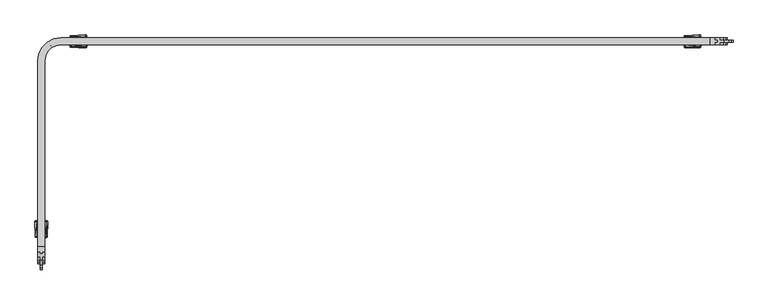
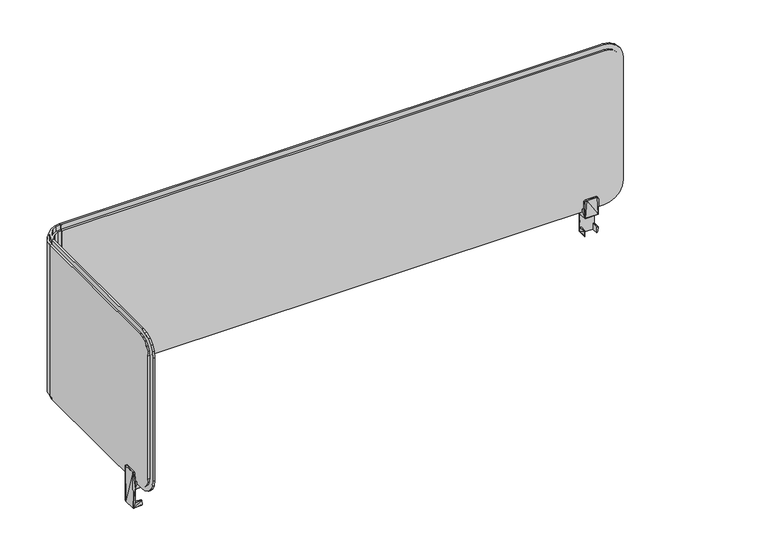
"""IFC4 building model written with IfcOpenShell, lengths in millimetres: furniture geometry."""

from ifc_helpers import new_model, si_unit, origin, place, context, project, spatial, triangles, source, transform, mapped, element, save


def furniture_12b4700b(model_context):
    return source(origin(), model_context, "Body", "Tessellation", [
        triangles([(3360.1908382, 2133.8171288, 1058.9999674), (3360.1908382, 2483.5671285, 1089.0000257), (3360.1908382, 2163.8171326, 1089.0000257), (3360.1908382, 2483.5671285, 760.9999884), (3360.1908382, 2133.8171288, 790.9999741), (3360.1908382, 2163.8171326, 760.9999884), (3360.1908382, 2135.2851351, 781.7290283), (3360.1908382, 2139.5461395, 773.3660213), (3360.1908382, 2146.1831254, 766.7289991), (3360.1908382, 2154.5461324, 762.4679947), (3360.1908382, 2135.2851351, 1068.2709858), (3360.1908382, 2139.5461395, 1076.6339928), (3360.1908382, 2146.1831254, 1083.271015), (3360.1908382, 2154.5461324, 1087.5320194), (3357.8038473, 2493.8481325, 760.9999884), (3360.1918374, 2484.0671343, 760.9999884), (3356.1918454, 2484.0671343, 760.9999884), (3361.6078484, 2492.6121342, 760.9999884), (3362.3318412, 2502.6671346, 760.9999884), (3365.5678356, 2500.3151342, 760.9999884), (3369.3408429, 2509.6761362, 760.9999884), (3371.6928433, 2506.4401328, 760.9999884), (3378.1598359, 2514.2041302, 760.9999884), (3379.3958433, 2510.4001291, 760.9999884), (3387.9408341, 2515.8161321, 760.9999884), (3387.9408341, 2511.816131, 760.9999884), (3361.6078484, 2492.6121342, 1089.0000257), (3360.1918374, 2484.0671343, 1089.0000257), (3365.5678356, 2500.3151342, 1089.0000257), (3371.6928433, 2506.4401328, 1089.0000257), (3379.3958433, 2510.4001291, 1089.0000257), (3387.9408341, 2511.816131, 1089.0000257), (3388.4408399, 2511.8171302, 1089.0000257), (3388.4408399, 2515.8171313, 760.9999884), (3388.4408399, 2511.8171302, 760.9999884), (3388.4408399, 2515.8171313, 1089.0000257), (3388.4408399, 2519.8171324, 760.9999884), (3388.4408399, 2519.8171324, 1089.0000257), (3388.4408399, 2522.817131, 760.9999884), (3388.4408399, 2522.817131, 1089.0000257), (3388.4408399, 2519.8171324, 751.0000174), (3388.4408399, 2515.8171313, 751.0000174), (3388.4408399, 2515.8171313, 1098.9999968), (3388.4408399, 2519.8171324, 1098.9999968), (4538.1908457, 2511.8171302, 1058.9999674), (4538.1908457, 2511.8171302, 790.9999741), (4508.19086, 2511.8171302, 760.9999884), (4536.7228394, 2511.8171302, 781.7290283), (4532.461835, 2511.8171302, 773.3660213), (4508.19086, 2511.8171302, 1089.0000257), (4536.7228394, 2511.8171302, 1068.2709858), (4532.461835, 2511.8171302, 1076.6339928), (4525.8248128, 2511.8171302, 1083.271015), (4517.4608611, 2511.8171302, 1087.5320194), (4525.8248128, 2511.8171302, 766.7289991), (4517.4608611, 2511.8171302, 762.4679947), (3352.190836, 2483.5671285, 760.9999884), (3356.1908462, 2483.5671285, 751.0000174), (3352.190836, 2483.5671285, 751.0000174), (3356.1908462, 2483.5671285, 760.9999884), (3352.190836, 2483.5671285, 1089.0000257), (3356.1908462, 2483.5671285, 1089.0000257), (3352.190836, 2483.5671285, 1098.9999968), (3356.1908462, 2483.5671285, 1098.9999968), (3349.1908374, 2483.5671285, 1089.0000257), (3349.1908374, 2483.5671285, 760.9999884), (3352.1918352, 2484.0671343, 1089.0000257), (3356.1918454, 2484.0671343, 1098.9999968), (3352.1918352, 2484.0671343, 1098.9999968), (3356.1918454, 2484.0671343, 1089.0000257), (3352.1918352, 2484.0671343, 751.0000174), (3356.1918454, 2484.0671343, 751.0000174), (3352.1918352, 2484.0671343, 760.9999884), (3349.1908374, 2484.0671343, 1089.0000257), (3349.1908374, 2484.0671343, 760.9999884), (3387.9408341, 2519.8161332, 760.9999884), (3387.9408341, 2515.8161321, 751.0000174), (3387.9408341, 2519.8161332, 751.0000174), (3387.9408341, 2519.8161332, 1089.0000257), (3387.9408341, 2515.8161321, 1089.0000257), (3387.9408341, 2519.8161332, 1098.9999968), (3387.9408341, 2515.8161321, 1098.9999968), (3387.9408341, 2522.817131, 1089.0000257), (3387.9408341, 2522.817131, 760.9999884), (3375.8298364, 2521.8591317, 760.9999884), (3388.190837, 2523.8171336, 1089.0000257), (3388.190837, 2523.8171336, 760.9999884), (3375.8298364, 2521.8591317, 1089.0000257), (3364.6798447, 2516.1781285, 760.9999884), (3364.6798447, 2516.1781285, 1089.0000257), (3355.8298399, 2507.3281328, 760.9999884), (3355.8298399, 2507.3281328, 1089.0000257), (3350.1488458, 2496.178132, 760.9999884), (3350.1488458, 2496.178132, 1089.0000257), (3348.1908439, 2483.8171314, 760.9999884), (3348.1908439, 2483.8171314, 1089.0000257), (3356.1908462, 2163.8171326, 760.9999884), (3356.1908462, 2163.8171326, 1089.0000257), (3356.1908462, 2133.8171288, 790.9999741), (3356.1908462, 2135.2851351, 781.7290283), (3356.1908462, 2139.5461395, 773.3660213), (3356.1908462, 2146.1831254, 766.7289991), (3356.1908462, 2154.5461324, 762.4679947), (3356.1908462, 2133.8171288, 1058.9999674), (3356.1908462, 2154.5461324, 1087.5320194), (3356.1908462, 2146.1831254, 1083.271015), (3356.1908462, 2139.5461395, 1076.6339928), (3356.1908462, 2135.2851351, 1068.2709858), (3378.1598359, 2514.2041302, 1089.0000257), (3369.3408429, 2509.6761362, 1089.0000257), (3362.3318412, 2502.6671346, 1089.0000257), (3357.8038473, 2493.8481325, 1089.0000257), (4508.19086, 2515.8171313, 1089.0000257), (4508.19086, 2515.8171313, 760.9999884), (4538.1908457, 2515.8171313, 1058.9999674), (4536.7228394, 2515.8171313, 1068.2709858), (4532.461835, 2515.8171313, 1076.6339928), (4525.8248128, 2515.8171313, 1083.271015), (4517.4608611, 2515.8171313, 1087.5320194), (4538.1908457, 2515.8171313, 790.9999741), (4517.4608611, 2515.8171313, 762.4679947), (4525.8248128, 2515.8171313, 766.7289991), (4532.461835, 2515.8171313, 773.3660213), (4536.7228394, 2515.8171313, 781.7290283), (3353.9998462, 2495.0841308, 751.0000174), (3357.8038473, 2493.8481325, 751.0000174), (3359.0958469, 2505.0181357, 751.0000174), (3362.3318412, 2502.6671346, 751.0000174), (3369.3408429, 2509.6761362, 751.0000174), (3366.9898418, 2512.9121306, 751.0000174), (3378.1598359, 2514.2041302, 751.0000174), (3376.9238466, 2518.0081313, 751.0000174), (3356.1908462, 2163.8171326, 751.0000174), (3352.190836, 2163.8171326, 751.0000174), (4508.19086, 2515.8171313, 751.0000174), (4508.19086, 2519.8171324, 751.0000174), (3353.9998462, 2495.0841308, 760.9999884), (3359.0958469, 2505.0181357, 760.9999884), (3366.9898418, 2512.9121306, 760.9999884), (3376.9238466, 2518.0081313, 760.9999884), (3352.190836, 2163.8171326, 760.9999884), (3348.1908439, 2163.8171326, 760.9999884), (4508.19086, 2523.8171336, 760.9999884), (4508.19086, 2519.8171324, 760.9999884), (3352.190836, 2163.8171326, 1089.0000257), (3352.190836, 2163.8171326, 1098.9999968), (3352.190836, 2151.456132, 1097.0419767), (3352.190836, 2154.5461324, 1087.5320194), (3352.190836, 2140.3061404, 1091.3610008), (3352.190836, 2146.1831254, 1083.271015), (3352.190836, 2131.4561355, 1082.5110323), (3352.190836, 2139.5461395, 1076.6339928), (3352.190836, 2125.7751233, 1071.3609861), (3352.190836, 2135.2851351, 1068.2709858), (3352.190836, 2123.8171396, 1058.9999674), (3352.190836, 2133.8171288, 1058.9999674), (3352.190836, 2123.8171396, 790.9999741), (3352.190836, 2133.8171288, 790.9999741), (3352.190836, 2135.2851351, 781.7290283), (3352.190836, 2125.7751233, 778.639028), (3352.190836, 2139.5461395, 773.3660213), (3352.190836, 2131.4561355, 767.4889818), (3352.190836, 2146.1831254, 766.7289991), (3352.190836, 2140.3061404, 758.6390133), (3352.190836, 2154.5461324, 762.4679947), (3352.190836, 2151.456132, 752.9579647), (3348.1908439, 2163.8171326, 1089.0000257), (3353.9998462, 2495.0841308, 1089.0000257), (3359.0958469, 2505.0181357, 1089.0000257), (3366.9898418, 2512.9121306, 1089.0000257), (3376.9238466, 2518.0081313, 1089.0000257), (4508.19086, 2523.8171336, 1089.0000257), (4508.19086, 2519.8171324, 1089.0000257), (4508.19086, 2515.8171313, 1098.9999968), (4520.5518061, 2515.8171313, 1097.0419767), (4531.7018523, 2515.8171313, 1091.3610008), (4540.5518208, 2515.8171313, 1082.5110323), (4546.2328694, 2515.8171313, 1071.3609861), (4548.1908167, 2515.8171313, 1058.9999674), (4548.1908167, 2515.8171313, 790.9999741), (4546.2328694, 2515.8171313, 778.639028), (4540.5518208, 2515.8171313, 767.4889818), (4531.7018523, 2515.8171313, 758.6390133), (4520.5518061, 2515.8171313, 752.9579647), (3356.1908462, 2123.8171396, 1058.9999674), (3356.1908462, 2125.7751233, 1071.3609861), (3356.1908462, 2131.4561355, 1082.5110323), (3356.1908462, 2140.3061404, 1091.3610008), (3356.1908462, 2151.456132, 1097.0419767), (3356.1908462, 2163.8171326, 1098.9999968), (3356.1908462, 2123.8171396, 790.9999741), (3356.1908462, 2125.7751233, 778.639028), (3356.1908462, 2131.4561355, 767.4889818), (3356.1908462, 2140.3061404, 758.6390133), (3356.1908462, 2151.456132, 752.9579647), (3353.9998462, 2495.0841308, 1098.9999968), (3357.8038473, 2493.8481325, 1098.9999968), (3359.0958469, 2505.0181357, 1098.9999968), (3362.3318412, 2502.6671346, 1098.9999968), (3369.3408429, 2509.6761362, 1098.9999968), (3366.9898418, 2512.9121306, 1098.9999968), (3378.1598359, 2514.2041302, 1098.9999968), (3376.9238466, 2518.0081313, 1098.9999968), (4508.19086, 2519.8171324, 1098.9999968), (4520.5518061, 2519.8171324, 1097.0419767), (4531.7018523, 2519.8171324, 1091.3610008), (4540.5518208, 2519.8171324, 1082.5110323), (4546.2328694, 2519.8171324, 1071.3609861), (4548.1908167, 2519.8171324, 1058.9999674), (4517.4608611, 2519.8171324, 1087.5320194), (4525.8248128, 2519.8171324, 1083.271015), (4532.461835, 2519.8171324, 1076.6339928), (4536.7228394, 2519.8171324, 1068.2709858), (4538.1908457, 2519.8171324, 1058.9999674), (4538.1908457, 2519.8171324, 790.9999741), (4548.1908167, 2519.8171324, 790.9999741), (4536.7228394, 2519.8171324, 781.7290283), (4546.2328694, 2519.8171324, 778.639028), (4532.461835, 2519.8171324, 773.3660213), (4540.5518208, 2519.8171324, 767.4889818), (4525.8248128, 2519.8171324, 766.7289991), (4531.7018523, 2519.8171324, 758.6390133), (4517.4608611, 2519.8171324, 762.4679947), (4520.5518061, 2519.8171324, 752.9579647), (4517.4608611, 2523.8171336, 762.4679947), (4525.8248128, 2523.8171336, 766.7289991), (4532.461835, 2523.8171336, 773.3660213), (4536.7228394, 2523.8171336, 781.7290283), (4538.1908457, 2523.8171336, 790.9999741), (4538.1908457, 2523.8171336, 1058.9999674), (4536.7228394, 2523.8171336, 1068.2709858), (4532.461835, 2523.8171336, 1076.6339928), (4525.8248128, 2523.8171336, 1083.271015), (4517.4608611, 2523.8171336, 1087.5320194), (3348.1908439, 2133.8171288, 790.9999741), (3348.1908439, 2135.2851351, 781.7290283), (3348.1908439, 2146.1831254, 1083.271015), (3348.1908439, 2154.5461324, 1087.5320194), (3348.1908439, 2139.5461395, 1076.6339928), (3348.1908439, 2135.2851351, 1068.2709858), (3348.1908439, 2133.8171288, 1058.9999674), (3348.1908439, 2139.5461395, 773.3660213), (3348.1908439, 2146.1831254, 766.7289991), (3348.1908439, 2154.5461324, 762.4679947)], [[1, 2, 3], [4, 2, 1], [1, 5, 4], [5, 6, 4], [5, 7, 6], [7, 8, 6], [8, 9, 6], [9, 10, 6], [3, 11, 1], [3, 12, 11], [3, 13, 12], [3, 14, 13], [15, 16, 17], [15, 18, 16], [19, 18, 15], [19, 20, 18], [21, 20, 19], [21, 22, 20], [23, 22, 21], [23, 24, 22], [25, 24, 23], [25, 26, 24], [16, 27, 28], [18, 27, 16], [29, 27, 18], [20, 29, 18], [30, 29, 20], [22, 30, 20], [24, 30, 22], [31, 30, 24], [32, 31, 24], [24, 26, 32], [33, 34, 35], [36, 34, 33], [37, 34, 36], [38, 37, 36], [39, 37, 38], [40, 39, 38], [34, 41, 42], [37, 41, 34], [38, 43, 44], [36, 43, 38], [35, 45, 33], [35, 46, 45], [35, 47, 46], [47, 48, 46], [47, 49, 48], [45, 50, 33], [45, 51, 50], [51, 52, 50], [52, 53, 50], [53, 54, 50], [47, 55, 49], [47, 56, 55], [57, 58, 59], [60, 58, 57], [61, 60, 57], [62, 60, 61], [63, 62, 61], [64, 62, 63], [62, 4, 60], [2, 4, 62], [57, 65, 61], [66, 65, 57], [67, 68, 69], [70, 68, 67], [17, 70, 67], [28, 70, 17], [16, 28, 17], [17, 71, 72], [73, 71, 17], [67, 73, 17], [74, 73, 67], [75, 73, 74], [76, 77, 78], [25, 77, 76], [79, 25, 76], [80, 25, 79], [81, 80, 79], [82, 80, 81], [25, 32, 26], [80, 32, 25], [76, 83, 79], [84, 83, 76], [66, 74, 65], [75, 74, 66], [84, 40, 83], [39, 40, 84], [85, 86, 87], [88, 86, 85], [89, 88, 85], [90, 88, 89], [91, 90, 89], [92, 90, 91], [93, 92, 91], [94, 92, 93], [95, 94, 93], [96, 94, 95], [6, 60, 4], [97, 60, 6], [2, 98, 3], [62, 98, 2], [99, 7, 5], [100, 7, 99], [8, 7, 100], [101, 8, 100], [9, 8, 101], [102, 9, 101], [10, 9, 102], [103, 10, 102], [97, 10, 103], [6, 10, 97], [1, 99, 5], [104, 99, 1], [98, 14, 3], [105, 14, 98], [13, 14, 105], [106, 13, 105], [12, 13, 106], [107, 12, 106], [11, 12, 107], [108, 11, 107], [104, 11, 108], [1, 11, 104], [80, 31, 32], [109, 31, 80], [30, 31, 109], [110, 30, 109], [29, 30, 110], [111, 29, 110], [27, 29, 111], [112, 27, 111], [28, 27, 112], [70, 28, 112], [33, 113, 36], [50, 113, 33], [34, 47, 35], [114, 47, 34], [115, 51, 45], [116, 51, 115], [52, 51, 116], [117, 52, 116], [53, 52, 117], [118, 53, 117], [54, 53, 118], [119, 54, 118], [113, 54, 119], [50, 54, 113], [46, 115, 45], [120, 115, 46], [114, 56, 47], [121, 56, 114], [55, 56, 121], [122, 55, 121], [49, 55, 122], [123, 49, 122], [48, 49, 123], [124, 48, 123], [120, 48, 124], [46, 48, 120], [125, 72, 71], [125, 126, 72], [127, 126, 125], [127, 128, 126], [129, 128, 127], [130, 129, 127], [131, 129, 130], [132, 131, 130], [77, 131, 132], [78, 77, 132], [133, 59, 58], [134, 59, 133], [41, 135, 42], [136, 135, 41], [72, 15, 17], [126, 15, 72], [19, 15, 126], [128, 19, 126], [21, 19, 128], [129, 21, 128], [23, 21, 129], [131, 23, 129], [77, 23, 131], [25, 23, 77], [73, 125, 71], [137, 125, 73], [127, 125, 137], [138, 127, 137], [130, 127, 138], [139, 130, 138], [132, 130, 139], [140, 132, 139], [76, 132, 140], [78, 132, 76], [141, 66, 57], [142, 66, 141], [95, 66, 142], [75, 66, 95], [93, 75, 95], [137, 75, 93], [138, 137, 93], [137, 73, 75], [91, 138, 93], [139, 138, 91], [89, 139, 91], [140, 139, 89], [85, 140, 89], [76, 140, 85], [84, 76, 85], [87, 84, 85], [39, 84, 87], [143, 39, 87], [144, 39, 143], [37, 39, 144], [145, 63, 61], [146, 63, 145], [147, 146, 145], [145, 148, 147], [149, 147, 148], [148, 150, 149], [151, 149, 150], [150, 152, 151], [153, 151, 152], [152, 154, 153], [155, 153, 154], [154, 156, 155], [157, 155, 156], [158, 157, 156], [159, 157, 158], [160, 157, 159], [161, 160, 159], [162, 160, 161], [163, 162, 161], [164, 162, 163], [165, 164, 163], [166, 164, 165], [141, 166, 165], [134, 166, 141], [57, 134, 141], [59, 134, 57], [65, 145, 61], [167, 145, 65], [96, 167, 65], [74, 96, 65], [94, 96, 74], [168, 94, 74], [169, 94, 168], [92, 94, 169], [170, 92, 169], [90, 92, 170], [171, 90, 170], [88, 90, 171], [79, 88, 171], [83, 88, 79], [86, 88, 83], [40, 86, 83], [172, 86, 40], [173, 172, 40], [40, 38, 173], [74, 67, 168], [113, 43, 36], [174, 43, 113], [175, 174, 113], [113, 176, 175], [113, 119, 176], [119, 118, 176], [177, 176, 118], [118, 117, 177], [178, 177, 117], [117, 116, 178], [179, 178, 116], [116, 115, 179], [180, 179, 115], [120, 180, 115], [124, 180, 120], [181, 180, 124], [123, 181, 124], [182, 181, 123], [122, 182, 123], [183, 182, 122], [121, 183, 122], [114, 183, 121], [114, 184, 183], [135, 184, 114], [135, 34, 42], [114, 34, 135], [185, 108, 186], [185, 104, 108], [99, 104, 185], [107, 186, 108], [187, 186, 107], [106, 187, 107], [188, 187, 106], [105, 188, 106], [189, 188, 105], [98, 189, 105], [190, 189, 98], [62, 190, 98], [64, 190, 62], [191, 99, 185], [100, 99, 191], [192, 100, 191], [101, 100, 192], [193, 101, 192], [102, 101, 193], [194, 102, 193], [103, 102, 194], [195, 103, 194], [97, 103, 195], [133, 97, 195], [58, 97, 133], [60, 97, 58], [68, 196, 69], [68, 197, 196], [198, 196, 197], [197, 199, 198], [200, 198, 199], [201, 198, 200], [202, 201, 200], [203, 201, 202], [82, 203, 202], [81, 203, 82], [64, 146, 190], [63, 146, 64], [204, 43, 174], [44, 43, 204], [112, 68, 70], [197, 68, 112], [199, 197, 112], [111, 199, 112], [200, 199, 111], [110, 200, 111], [202, 200, 110], [109, 202, 110], [82, 202, 109], [80, 82, 109], [196, 67, 69], [168, 67, 196], [169, 168, 196], [198, 169, 196], [170, 169, 198], [201, 170, 198], [171, 170, 201], [203, 171, 201], [79, 171, 203], [81, 79, 203], [186, 155, 185], [153, 155, 186], [187, 153, 186], [151, 153, 187], [188, 151, 187], [149, 151, 188], [189, 149, 188], [147, 149, 189], [190, 147, 189], [146, 147, 190], [157, 185, 155], [191, 185, 157], [160, 191, 157], [192, 191, 160], [162, 192, 160], [193, 192, 162], [164, 193, 162], [194, 193, 164], [166, 194, 164], [195, 194, 166], [134, 195, 166], [133, 195, 134], [175, 204, 174], [205, 204, 175], [176, 205, 175], [206, 205, 176], [177, 206, 176], [207, 206, 177], [178, 207, 177], [208, 207, 178], [179, 208, 178], [209, 208, 179], [204, 38, 44], [173, 38, 204], [205, 173, 204], [206, 173, 205], [206, 210, 173], [206, 211, 210], [207, 211, 206], [207, 212, 211], [208, 212, 207], [208, 213, 212], [209, 213, 208], [209, 214, 213], [215, 214, 209], [216, 215, 209], [217, 215, 216], [218, 217, 216], [219, 217, 218], [220, 219, 218], [221, 219, 220], [222, 221, 220], [223, 221, 222], [144, 223, 222], [144, 41, 37], [136, 41, 144], [224, 136, 144], [144, 222, 224], [143, 223, 144], [225, 223, 143], [221, 223, 225], [226, 221, 225], [219, 221, 226], [227, 219, 226], [217, 219, 227], [228, 217, 227], [229, 217, 228], [215, 217, 229], [86, 172, 230], [172, 231, 230], [172, 232, 231], [230, 87, 86], [230, 229, 87], [229, 143, 87], [229, 228, 143], [228, 227, 143], [227, 226, 143], [226, 225, 143], [172, 233, 232], [172, 234, 233], [230, 213, 214], [231, 213, 230], [212, 213, 231], [232, 212, 231], [211, 212, 232], [233, 211, 232], [210, 211, 233], [234, 210, 233], [172, 210, 234], [173, 210, 172], [230, 215, 229], [214, 215, 230], [95, 167, 96], [142, 167, 95], [142, 235, 167], [142, 236, 235], [167, 237, 238], [239, 237, 167], [240, 239, 167], [167, 241, 240], [235, 241, 167], [142, 242, 236], [142, 243, 242], [142, 244, 243], [235, 156, 241], [158, 156, 235], [235, 159, 158], [236, 159, 235], [161, 159, 236], [242, 161, 236], [163, 161, 242], [243, 163, 242], [165, 163, 243], [244, 165, 243], [142, 165, 244], [141, 165, 142], [167, 148, 145], [238, 148, 167], [150, 148, 238], [237, 150, 238], [152, 150, 237], [239, 152, 237], [154, 152, 239], [240, 154, 239], [241, 154, 240], [156, 154, 241], [209, 180, 216], [179, 180, 209], [181, 216, 180], [218, 216, 181], [182, 218, 181], [220, 218, 182], [183, 220, 182], [222, 220, 183], [184, 222, 183], [224, 222, 184], [135, 224, 184], [136, 224, 135]]),
        triangles([(4463.3248486, 2523.8171336, 740.9999737), (4463.3248486, 2523.8171336, 712.4999691), (4466.1908074, 2523.8171336, 713.0000113), (4493.0568274, 2523.8171336, 740.9999737), (4490.1908686, 2523.8171336, 713.0000113), (4493.0568274, 2523.8171336, 712.4999691), (4466.1908074, 2523.8171336, 699.4169741), (4490.1908686, 2523.8171336, 699.4169741), (4463.9518452, 2527.8431324, 701.5530355), (4465.7438143, 2527.8431324, 778.7390219), (4463.1988389, 2524.1331299, 764.6909695), (4463.874815, 2524.4551306, 776.9910181), (4463.7468432, 2507.5521289, 741.5000158), (4463.3968646, 2515.9421328, 751.0000174), (4463.2918564, 2519.9421339, 751.0000174), (4463.2918564, 2519.9421339, 760.5000189), (4463.4988206, 2512.0671331, 764.3750004), (4464.2178174, 2508.0411343, 776.7929924), (4464.1338109, 2511.7411356, 776.8410273), (4463.3968646, 2515.9421328, 760.5000189), (4490.557852, 2509.8171342, 712.6330278), (4490.557852, 2509.8171342, 700.0170101), (4491.5638226, 2528.8171281, 702.053005), (4492.4298308, 2527.8431324, 776.9469801), (4493.1828372, 2524.1331299, 764.6909695), (4492.506861, 2524.4551306, 776.9910181), (4492.6908614, 2509.8171342, 712.1340031), (4492.5518437, 2509.8171342, 702.4329964), (4465.823824, 2509.8171342, 712.6330278), (4464.0568534, 2509.8171342, 712.4990244), (4465.823824, 2509.8171342, 700.0170101), (4490.6378617, 2527.8431324, 699.7609938), (4465.7438143, 2527.8431324, 699.7609938), (4464.6168482, 2509.8171342, 701.0510313), (4463.8308497, 2509.8171342, 702.4329964), (4466.0858719, 2519.9421339, 760.5000189), (4466.3348393, 2519.9421339, 751.0000174), (4465.8668446, 2524.1331299, 764.6909695), (4466.1908074, 2515.9421328, 760.5000189), (4466.1908074, 2512.0671331, 764.3750004), (4466.4398474, 2515.9421328, 751.0000174), (4490.1908686, 2512.0671331, 764.3750004), (4492.8828555, 2512.0671331, 764.3750004), (4490.1908686, 2515.9421328, 760.5000189), (4492.9848115, 2515.9421328, 760.5000189), (4492.9848115, 2515.9421328, 751.0000174), (4489.9418286, 2515.9421328, 751.0000174), (4490.0468367, 2519.9421339, 751.0000174), (4493.0898196, 2519.9421339, 751.0000174), (4490.2958768, 2519.9421339, 760.5000189), (4493.0898196, 2519.9421339, 760.5000189), (4490.5148314, 2524.1331299, 764.6909695), (4492.2718463, 2507.5601317, 740.7930096), (4492.6348328, 2507.5521289, 774.4999638), (4492.2478652, 2511.7411356, 776.8410273), (4490.5328536, 2511.6961347, 778.5550215), (4465.8488225, 2511.6961347, 778.5550215), (4490.483874, 2508.0411343, 778.4720324), (4468.1908307, 2507.5521289, 778.9440239), (4490.1378195, 2528.8171281, 777.8730137), (4466.4088174, 2523.6041288, 744.4999781), (4489.9728587, 2523.6041288, 744.4999781), (4465.699849, 2524.5031291, 778.8140173), (4490.681827, 2524.5031291, 778.8140173), (4466.6978259, 2512.5871323, 744.4999781), (4489.6838502, 2512.5871323, 744.4999781), (4491.7778357, 2507.0671294, 741.5000158), (4464.6038403, 2507.0671294, 741.5000158), (4491.7778357, 2508.067132, 740.5000042), (4464.6038403, 2507.5671353, 740.6340076), (3403.5748362, 2523.8171336, 740.9999737), (3403.5748362, 2523.8171336, 712.4999691), (3406.4408495, 2523.8171336, 713.0000113), (3433.3068331, 2523.8171336, 740.9999737), (3430.440838, 2523.8171336, 713.0000113), (3433.3068331, 2523.8171336, 712.4999691), (3406.4408495, 2523.8171336, 699.4169741), (3430.440838, 2523.8171336, 699.4169741), (3404.2018328, 2527.8431324, 701.5530355), (3405.9938382, 2527.8431324, 778.7390219), (3403.4488446, 2524.1331299, 764.6909695), (3404.1248389, 2524.4551306, 776.9910181), (3403.9968489, 2507.5521289, 741.5000158), (3403.646834, 2515.9421328, 751.0000174), (3403.541844, 2519.9421339, 751.0000174), (3403.541844, 2519.9421339, 760.5000189), (3403.7488444, 2512.0671331, 764.3750004), (3404.4688405, 2508.0411343, 776.7929924), (3404.3838348, 2511.7411356, 776.8410273), (3403.646834, 2515.9421328, 760.5000189), (3430.8078396, 2509.8171342, 712.6330278), (3430.8078396, 2509.8171342, 700.0170101), (3431.8138465, 2528.8171281, 702.053005), (3432.6798365, 2527.8431324, 776.9469801), (3433.4328429, 2524.1331299, 764.6909695), (3432.7568485, 2524.4551306, 776.9910181), (3432.9398497, 2509.8171342, 712.1340031), (3432.8018494, 2509.8171342, 702.4329964), (3406.0738479, 2509.8171342, 712.6330278), (3404.3068409, 2509.8171342, 712.4990244), (3406.0738479, 2509.8171342, 700.0170101), (3430.8878492, 2527.8431324, 699.7609938), (3404.8668358, 2509.8171342, 701.0510313), (3404.0798381, 2509.8171342, 702.4329964), (3406.3358413, 2519.9421339, 760.5000189), (3406.584845, 2519.9421339, 751.0000174), (3406.1168322, 2524.1331299, 764.6909695), (3406.4408495, 2515.9421328, 760.5000189), (3406.4408495, 2512.0671331, 764.3750004), (3406.689835, 2515.9421328, 751.0000174), (3430.440838, 2512.0671331, 764.3750004), (3433.132843, 2512.0671331, 764.3750004), (3430.440838, 2515.9421328, 760.5000189), (3433.2348354, 2515.9421328, 760.5000189), (3433.2348354, 2515.9421328, 751.0000174), (3430.1918343, 2515.9421328, 751.0000174), (3430.2968424, 2519.9421339, 751.0000174), (3433.3398435, 2519.9421339, 751.0000174), (3430.5458461, 2519.9421339, 760.5000189), (3433.3398435, 2519.9421339, 760.5000189), (3430.7648371, 2524.1331299, 764.6909695), (3432.5218338, 2507.5601317, 740.7930096), (3432.8848385, 2507.5521289, 774.4999638), (3432.4978346, 2511.7411356, 776.8410273), (3430.7828411, 2511.6961347, 778.5550215), (3406.0988464, 2511.6961347, 778.5550215), (3430.7338434, 2508.0411343, 778.4720324), (3408.4408364, 2507.5521289, 778.9440239), (3430.3878434, 2528.8171281, 777.8730137), (3406.6588412, 2523.6041288, 744.4999781), (3430.2228462, 2523.6041288, 744.4999781), (3405.9498366, 2524.5031291, 778.8140173), (3430.932832, 2524.5031291, 778.8140173), (3406.9478316, 2512.5871323, 744.4999781), (3429.9338377, 2512.5871323, 744.4999781), (3432.0278414, 2507.0671294, 741.5000158), (3432.0278414, 2508.067132, 740.5000042), (3404.853846, 2507.5671353, 740.6340076), (3348.1908439, 2178.9511289, 740.9999737), (3348.1908439, 2178.9511289, 712.4999691), (3348.1908439, 2181.817124, 713.0000113), (3348.1908439, 2208.6831259, 740.9999737), (3348.1908439, 2205.8171308, 713.0000113), (3348.1908439, 2208.6831259, 712.4999691), (3348.1908439, 2181.817124, 699.4169741), (3348.1908439, 2205.8171308, 699.4169741), (3344.164836, 2179.5781255, 701.5530355), (3344.164836, 2181.370131, 778.7390219), (3347.8748385, 2178.8251373, 764.6909695), (3347.5528378, 2179.5011317, 776.9910181), (3364.4558395, 2179.3731235, 741.5000158), (3356.0658356, 2179.0231267, 751.0000174), (3352.0658436, 2178.9181368, 751.0000174), (3352.0658436, 2178.9181368, 760.5000189), (3359.9408353, 2179.1251372, 764.3750004), (3363.9668432, 2179.8451332, 776.7929924), (3360.2668328, 2179.7601275, 776.8410273), (3356.0658356, 2179.0231267, 760.5000189), (3362.1908433, 2206.1841324, 712.6330278), (3362.1908433, 2206.1841324, 700.0170101), (3343.1908403, 2207.1901393, 702.053005), (3344.164836, 2208.0561293, 776.9469801), (3347.8748385, 2208.8091356, 764.6909695), (3347.5528378, 2208.1331231, 776.9910181), (3362.1908433, 2208.3161243, 712.1340031), (3362.1908433, 2208.178124, 702.4329964), (3362.1908433, 2181.4501406, 712.6330278), (3362.1908433, 2179.6831337, 712.4990244), (3362.1908433, 2181.4501406, 700.0170101), (3344.164836, 2206.2641238, 699.7609938), (3362.1908433, 2180.2431286, 701.0510313), (3362.1908433, 2179.4561308, 702.4329964), (3352.0658436, 2181.7121341, 760.5000189), (3352.0658436, 2181.9611378, 751.0000174), (3347.8748385, 2181.4931249, 764.6909695), (3356.0658356, 2181.817124, 760.5000189), (3359.9408353, 2181.817124, 764.3750004), (3356.0658356, 2182.0661277, 751.0000174), (3359.9408353, 2205.8171308, 764.3750004), (3359.9408353, 2208.5091358, 764.3750004), (3356.0658356, 2205.8171308, 760.5000189), (3356.0658356, 2208.6111281, 760.5000189), (3356.0658356, 2208.6111281, 751.0000174), (3356.0658356, 2205.5681271, 751.0000174), (3352.0658436, 2205.6731352, 751.0000174), (3352.0658436, 2208.7161362, 751.0000174), (3352.0658436, 2205.9221389, 760.5000189), (3352.0658436, 2208.7161362, 760.5000189), (3347.8748385, 2206.1411299, 764.6909695), (3363.9538353, 2207.90414, 740.6340076), (3364.4558395, 2208.2611313, 774.4999638), (3360.2668328, 2207.8741273, 776.8410273), (3360.3118337, 2206.1591339, 778.5550215), (3360.3118337, 2181.4751391, 778.5550215), (3363.9668432, 2206.1101361, 778.4720324), (3364.4558395, 2183.8171291, 778.9440239), (3343.1908403, 2205.7641362, 777.8730137), (3348.4038396, 2182.035134, 744.4999781), (3348.4038396, 2205.599139, 744.4999781), (3347.5048393, 2181.3251301, 778.8140173), (3347.5048393, 2206.3091247, 778.8140173), (3359.4208452, 2182.3241243, 744.4999781), (3359.4208452, 2205.3101305, 744.4999781), (3364.940839, 2207.4041342, 741.5000158), (3363.9408455, 2180.2301388, 740.5000042), (3363.9408455, 2207.4041342, 740.5000042), (3364.4408332, 2180.2301388, 740.6340076), (3364.4478458, 2207.8981266, 740.7930096), (3364.8068355, 2180.2301388, 740.9999737), (3363.9538353, 2179.730133, 740.6340076), (3363.9638456, 2179.3641306, 740.9999737)], [[1, 2, 3], [1, 3, 4], [4, 3, 5], [4, 5, 6], [7, 8, 3], [3, 8, 5], [9, 2, 1], [9, 1, 10], [10, 1, 11], [10, 11, 12], [13, 14, 1], [1, 14, 15], [1, 15, 11], [11, 15, 16], [17, 14, 13], [18, 17, 13], [17, 18, 19], [17, 20, 14], [22, 21, 5], [22, 5, 8], [4, 6, 23], [24, 4, 23], [4, 24, 25], [25, 24, 26], [23, 6, 27], [23, 27, 28], [3, 2, 29], [29, 2, 30], [3, 29, 31], [3, 31, 7], [22, 8, 23], [22, 23, 28], [32, 8, 7], [32, 7, 33], [9, 33, 7], [5, 21, 27], [5, 27, 6], [9, 7, 31], [9, 31, 34], [9, 34, 35], [30, 2, 9], [30, 9, 35], [16, 15, 36], [36, 15, 37], [11, 16, 36], [11, 36, 38], [20, 17, 39], [39, 17, 40], [20, 39, 14], [14, 39, 41], [42, 43, 44], [44, 43, 45], [45, 46, 44], [44, 46, 47], [48, 49, 50], [50, 49, 51], [25, 52, 50], [25, 50, 51], [4, 46, 53], [53, 46, 43], [53, 43, 54], [55, 54, 43], [46, 4, 49], [25, 49, 4], [49, 25, 51], [46, 45, 43], [56, 57, 58], [58, 57, 59], [23, 60, 24], [60, 23, 32], [10, 60, 32], [10, 32, 9], [38, 61, 62], [38, 62, 52], [63, 38, 52], [63, 52, 64], [64, 52, 26], [52, 25, 26], [38, 63, 12], [12, 11, 38], [56, 40, 57], [57, 40, 19], [56, 55, 42], [56, 42, 40], [40, 42, 65], [65, 42, 66], [55, 43, 42], [40, 17, 19], [54, 55, 58], [58, 55, 56], [58, 67, 54], [54, 67, 53], [59, 18, 68], [59, 68, 67], [59, 67, 58], [67, 68, 69], [69, 68, 70], [1, 4, 70], [70, 4, 69], [53, 69, 4], [23, 8, 32], [41, 37, 14], [14, 37, 15], [47, 46, 48], [48, 46, 49], [38, 36, 37], [38, 37, 61], [61, 37, 65], [65, 37, 41], [65, 41, 40], [40, 41, 39], [59, 57, 18], [18, 57, 19], [68, 18, 13], [68, 13, 70], [13, 1, 70], [29, 30, 35], [29, 35, 31], [31, 35, 34], [22, 28, 21], [21, 28, 27], [32, 33, 9], [60, 64, 24], [24, 64, 26], [63, 64, 10], [10, 64, 60], [10, 12, 63], [48, 50, 52], [62, 48, 52], [48, 62, 66], [48, 66, 47], [42, 47, 66], [47, 42, 44], [61, 65, 66], [61, 66, 62], [69, 53, 67], [71, 72, 73], [71, 73, 74], [74, 73, 75], [74, 75, 76], [77, 78, 73], [73, 78, 75], [79, 72, 71], [79, 71, 80], [80, 71, 81], [80, 81, 82], [83, 84, 71], [71, 84, 85], [71, 85, 81], [81, 85, 86], [87, 84, 83], [88, 87, 83], [87, 88, 89], [87, 90, 84], [92, 91, 75], [92, 75, 78], [74, 76, 93], [94, 74, 93], [74, 94, 95], [95, 94, 96], [93, 76, 97], [93, 97, 98], [73, 72, 99], [99, 72, 100], [73, 99, 101], [73, 101, 77], [92, 78, 93], [92, 93, 98], [102, 78, 77], [102, 77, 79], [75, 91, 97], [75, 97, 76], [79, 77, 101], [79, 101, 103], [79, 103, 104], [100, 72, 79], [100, 79, 104], [86, 85, 105], [105, 85, 106], [81, 86, 105], [81, 105, 107], [90, 87, 108], [108, 87, 109], [90, 108, 84], [84, 108, 110], [111, 112, 113], [113, 112, 114], [114, 115, 113], [113, 115, 116], [117, 118, 119], [119, 118, 120], [95, 121, 119], [95, 119, 120], [74, 115, 122], [122, 115, 112], [122, 112, 123], [124, 123, 112], [115, 74, 118], [95, 118, 74], [118, 95, 120], [115, 114, 112], [125, 126, 127], [127, 126, 128], [93, 129, 94], [129, 93, 102], [80, 129, 102], [80, 102, 79], [107, 130, 131], [107, 131, 121], [132, 107, 121], [132, 121, 133], [133, 121, 96], [121, 95, 96], [107, 132, 82], [82, 81, 107], [125, 109, 126], [126, 109, 89], [125, 124, 111], [125, 111, 109], [109, 111, 134], [134, 111, 135], [124, 112, 111], [109, 87, 89], [123, 124, 127], [127, 124, 125], [123, 136, 122], [88, 83, 136], [88, 136, 127], [127, 136, 123], [136, 83, 137], [137, 83, 138], [71, 74, 138], [138, 74, 137], [122, 137, 74], [93, 78, 102], [110, 106, 84], [84, 106, 85], [116, 115, 117], [117, 115, 118], [107, 105, 106], [107, 106, 130], [130, 106, 134], [134, 106, 110], [134, 110, 109], [109, 110, 108], [128, 126, 88], [88, 126, 89], [88, 127, 128], [83, 71, 138], [99, 100, 104], [99, 104, 101], [101, 104, 103], [92, 98, 91], [91, 98, 97], [129, 133, 94], [94, 133, 96], [132, 133, 80], [80, 133, 129], [80, 82, 132], [117, 119, 121], [131, 117, 121], [117, 131, 135], [117, 135, 116], [111, 116, 135], [116, 111, 113], [130, 134, 135], [130, 135, 131], [137, 122, 136], [139, 140, 141], [139, 141, 142], [142, 141, 143], [142, 143, 144], [145, 146, 141], [141, 146, 143], [147, 140, 139], [147, 139, 148], [148, 139, 149], [148, 149, 150], [151, 152, 139], [139, 152, 153], [139, 153, 149], [149, 153, 154], [155, 152, 151], [156, 155, 151], [155, 156, 157], [155, 158, 152], [160, 159, 143], [160, 143, 146], [142, 144, 161], [162, 142, 161], [142, 162, 163], [163, 162, 164], [161, 144, 165], [161, 165, 166], [141, 140, 167], [167, 140, 168], [141, 167, 169], [141, 169, 145], [160, 146, 161], [160, 161, 166], [170, 146, 145], [170, 145, 147], [143, 159, 165], [143, 165, 144], [147, 145, 169], [147, 169, 171], [147, 171, 172], [168, 140, 147], [168, 147, 172], [154, 153, 173], [173, 153, 174], [149, 154, 173], [149, 173, 175], [158, 155, 176], [176, 155, 177], [158, 176, 152], [152, 176, 178], [179, 180, 181], [181, 180, 182], [182, 183, 181], [181, 183, 184], [185, 186, 187], [187, 186, 188], [163, 189, 187], [163, 187, 188], [142, 183, 190], [190, 183, 180], [190, 180, 191], [192, 191, 180], [183, 142, 186], [163, 186, 142], [186, 163, 188], [183, 182, 180], [193, 194, 195], [195, 194, 196], [161, 197, 162], [197, 161, 170], [148, 197, 170], [148, 170, 147], [175, 198, 199], [175, 199, 189], [200, 175, 189], [200, 189, 201], [201, 189, 164], [189, 163, 164], [175, 200, 150], [150, 149, 175], [193, 177, 194], [194, 177, 157], [193, 192, 179], [193, 179, 177], [177, 179, 202], [202, 179, 203], [192, 180, 179], [177, 155, 157], [191, 192, 195], [195, 192, 193], [191, 204, 190], [156, 151, 204], [156, 204, 195], [195, 204, 191], [205, 206, 207], [207, 206, 208], [208, 204, 151], [208, 151, 209], [208, 209, 207], [139, 142, 205], [205, 142, 206], [206, 142, 190], [161, 146, 170], [178, 174, 152], [152, 174, 153], [184, 183, 185], [185, 183, 186], [175, 173, 174], [175, 174, 198], [198, 174, 202], [202, 174, 178], [202, 178, 177], [177, 178, 176], [196, 194, 156], [156, 194, 157], [156, 195, 196], [210, 207, 209], [207, 210, 205], [209, 151, 211], [209, 211, 210], [151, 139, 211], [211, 139, 210], [205, 210, 139], [167, 168, 172], [167, 172, 169], [169, 172, 171], [160, 166, 159], [159, 166, 165], [197, 201, 162], [162, 201, 164], [200, 201, 148], [148, 201, 197], [148, 150, 200], [185, 187, 189], [199, 185, 189], [185, 199, 203], [185, 203, 184], [179, 184, 203], [184, 179, 181], [198, 202, 203], [198, 203, 199], [208, 206, 190], [190, 204, 208]]),
    ])


if __name__ == "__main__":
    model = new_model("IFC4")
    model_context = context("Model", 3, world=origin())
    ifc_project = project(units=[si_unit("LENGTHUNIT", "METRE", prefix="MILLI")], contexts=[model_context])
    site = spatial("IfcSite", under=ifc_project)
    building = spatial("IfcBuilding", under=site)
    placement = place(None, origin())
    furniture_shape = furniture_12b4700b(model_context)
    element("IfcFurniture", 1, at=placement, inside=building, context=model_context, shape_type="MappedRepresentation", body=[
        mapped(furniture_shape, transform((0.0, 0.0, 0.0), x_axis=(1.0, 0.0, 0.0), y_axis=(0.0, 1.0, 0.0), z_axis=(0.0, 0.0, 1.0))),
    ])
    save(model, "model.ifc")
